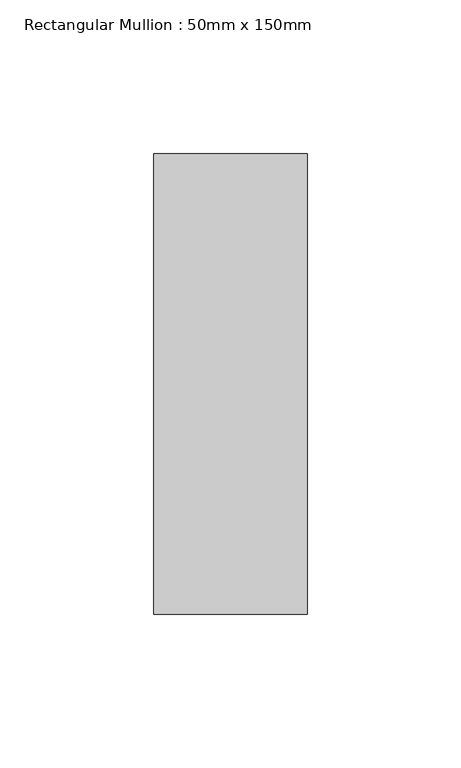
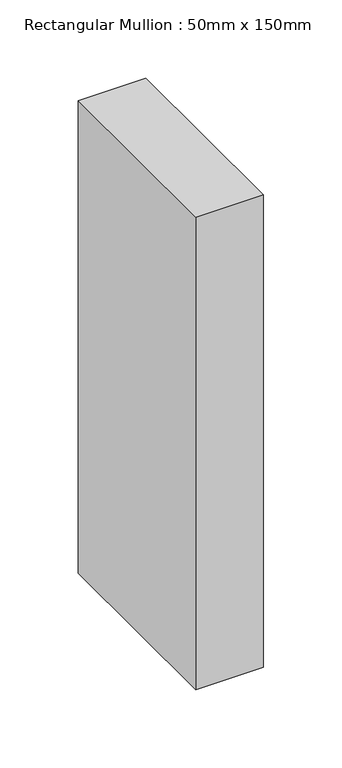
"""IFC4 building model written with IfcOpenShell, lengths in millimetres: member geometry, Rectangular Mullion : 50mm x 150mm."""

from ifc_helpers import new_model, si_unit, frame, origin, place, context, project, spatial, polyline, outline, extrude, source, transform, mapped, element, save


def rectangular_mullion_50mm_x_150mm_b03a952a(model_context):
    return source(origin(), model_context, "Body", "SweptSolid", [
        extrude(outline(polyline([(25.0, 75.0), (25.0, -75.0), (-25.0, -75.0), (-25.0, 75.0), (25.0, 75.0)])), frame((0.0, 0.0, -368.7735115), z_axis=(0.0, 0.0, 1.0), x_axis=(1.0, 0.0, 0.0)), (0.0, 0.0, 1.0), 368.7735115),
    ])


if __name__ == "__main__":
    model = new_model("IFC4")
    model_context = context("Model", 3, world=origin())
    ifc_project = project(units=[si_unit("LENGTHUNIT", "METRE", prefix="MILLI")], contexts=[model_context])
    site = spatial("IfcSite", under=ifc_project)
    building = spatial("IfcBuilding", under=site)
    placement = place(None, origin())
    rectangular_mullion_50mm_x_150mm_shape = rectangular_mullion_50mm_x_150mm_b03a952a(model_context)
    element("IfcMember", 1, ObjectType="Rectangular Mullion : 50mm x 150mm", at=placement, inside=building, context=model_context, shape_type="MappedRepresentation", body=[
        mapped(rectangular_mullion_50mm_x_150mm_shape, transform((0.0, 0.0, 0.0), x_axis=(1.0, 0.0, 0.0), y_axis=(0.0, 1.0, 0.0), z_axis=(0.0, 0.0, 1.0))),
    ])
    save(model, "model.ifc")
